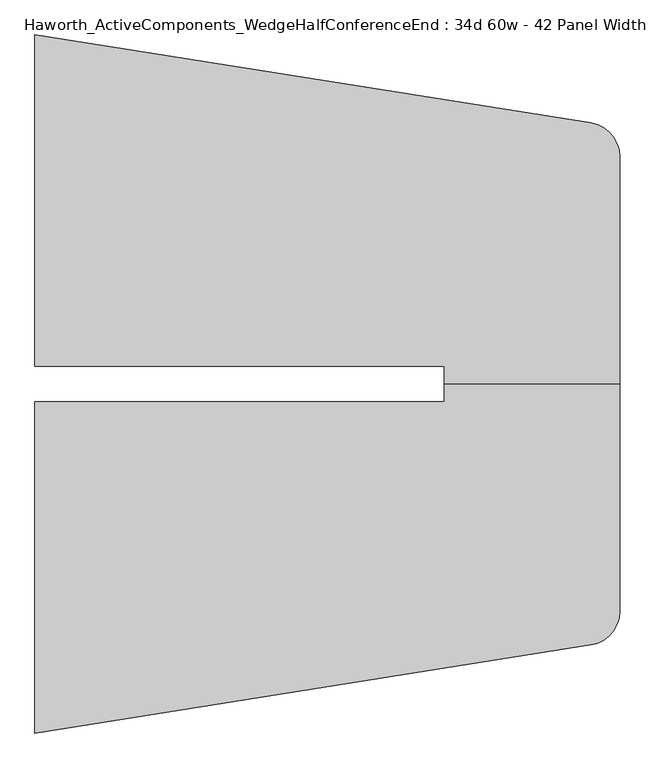
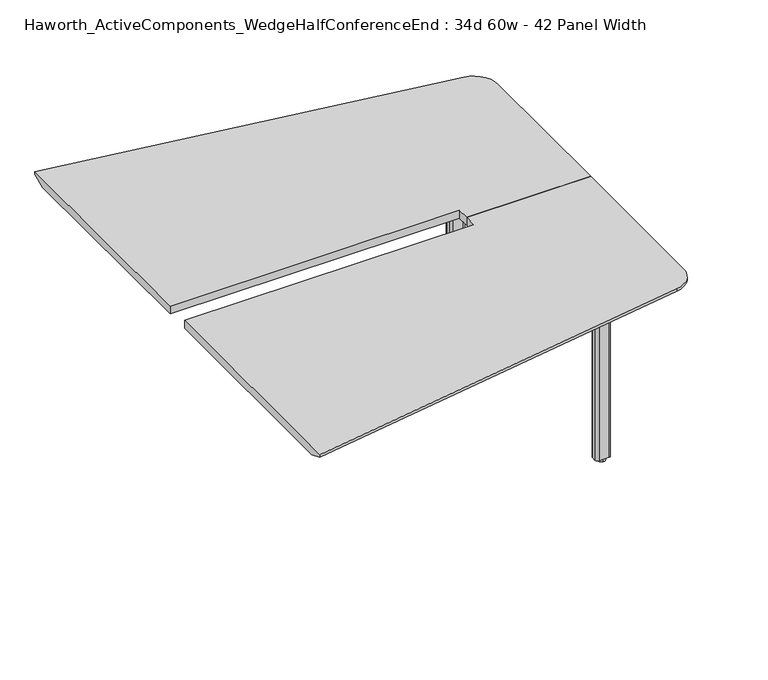
"""IFC4 building model written with IfcOpenShell, lengths in millimetres: furniture geometry, Haworth_ActiveComponents_WedgeHalfConferenceEnd : 34d 60w - 42 Panel Width."""

from ifc_helpers import new_model, si_unit, point, frame, frame_2d, origin, origin_with_axes, place, context, project, spatial, polyline, circle_curve, trimmed, segment, composite_curve, outline, extrude, source, transform, mapped, element, save
from ifc_brep_helpers import plane_surface, cylinder_surface, revolved_surface, advanced_brep


def haworth_activecomponents_wedgehalfconferenceend_34d_60w_42_ade9f4e1(model_context):
    return source(origin(), model_context, "Body", "SolidModel", [
        advanced_brep(
        [(749.3, 341.5840234, 741.3625), (749.3, 295.5465234, 741.3625), (1206.5, 295.5465234, 741.3625), (1206.5, 887.8783635, 741.3625), (1131.5070239, 975.6838569, 741.3625), (-317.5, 1205.1840234, 741.3625), (-317.5, 341.5840234, 741.3625), (749.3, 341.5840234, 711.2), (-317.5, 341.5840234, 711.2), (-317.5, 1153.7507951, 711.2), (1123.5601531, 925.5092892, 711.2), (1155.7, 887.8783635, 711.2), (1155.7, 295.5465234, 711.2), (749.3, 295.5465234, 711.2), (-317.5, 1205.1840234, 731.8375), (1206.5, 295.5465234, 731.8375), (1206.5, 887.8783635, 731.8375), (1131.5070239, 975.6838569, 731.8375)],
        [
            (0, 1),
            (1, 2),
            (2, 3),
            (3, 4, circle_curve(frame((1117.6, 887.8783635, 741.3625), z_axis=(0.0, 0.0, 1.0), x_axis=(1.0, 0.0, 0.0)), 88.9)),
            (4, 5),
            (5, 6),
            (6, 0),
            (7, 8),
            (8, 9),
            (9, 10),
            (10, 11, circle_curve(frame((1117.6, 887.8783635, 711.2), z_axis=(0.0, 0.0, -1.0), x_axis=(0.1564344650402309, 0.9876883405951378, 0.0)), 38.1)),
            (11, 12),
            (12, 13),
            (13, 7),
            (6, 8),
            (7, 0),
            (5, 14),
            (14, 9),
            (2, 15),
            (15, 16),
            (16, 3),
            (1, 13),
            (12, 15),
            (4, 17),
            (17, 14),
            (16, 17, circle_curve(frame((1117.6, 887.8783635, 731.8375), z_axis=(0.0, 0.0, 1.0), x_axis=(1.0, 0.0, 0.0)), 88.9)),
            (17, 10),
            (16, 11),
        ],
        [
            plane_surface(frame((-317.5, 341.5840234, 741.3625), z_axis=(0.0, 0.0, 1.0), x_axis=(-1.0, 0.0, 0.0))),
            plane_surface(frame((-317.5, 341.5840234, 711.2), z_axis=(0.0, 0.0, -1.0), x_axis=(1.0, 0.0, 0.0))),
            plane_surface(frame((749.3, 341.5840234, 741.3625), z_axis=(0.0, -1.0, 0.0), x_axis=(0.0, 0.0, -1.0))),
            plane_surface(frame((-317.5, 341.5840234, 741.3625), z_axis=(-1.0, 0.0, 0.0), x_axis=(0.0, 0.0, -1.0))),
            plane_surface(frame((1206.5, 887.8783635, 741.3625), z_axis=(1.0, 0.0, 0.0), x_axis=(0.0, 0.0, -1.0))),
            plane_surface(frame((1206.5, 295.5465234, 741.3625), z_axis=(0.0, -1.0, 0.0), x_axis=(0.0, 0.0, -1.0))),
            plane_surface(frame((749.3, 295.5465234, 741.3625), z_axis=(-1.0, 0.0, 0.0), x_axis=(0.0, 0.0, -1.0))),
            plane_surface(frame((-317.5, 1205.1840234, 741.3625), z_axis=(0.15643446504024028, 0.9876883405951362, 0.0), x_axis=(0.0, 0.0, -1.0))),
            cylinder_surface(frame((1117.6, 887.8783635, 711.2), z_axis=(0.0, 0.0, 1.0), x_axis=(1.0, 0.0, 0.0)), 88.9),
            plane_surface(frame((-317.5, 1205.1840234, 731.8375), z_axis=(0.058878341994063735, 0.3717432209465521, -0.9264665771220856), x_axis=(0.9876883405951363, -0.15643446504024033, 0.0))),
            revolved_surface(polyline([(1123.5601531, 925.5092892, 711.2), (1131.5070239, 975.6838569, 731.8375)]), (1117.6, 887.8783635, 741.3625), (0.0, 0.0, 1.0)),
            plane_surface(frame((1206.5, 887.8783635, 731.8375), z_axis=(0.37637704695648866, 0.0, -0.9264665771220855), x_axis=(0.0, -1.0, 0.0))),
        ],
        [
            (0, [[1, 2, 3, 4, 5, 6, 7]]),
            (1, [[8, 9, 10, 11, 12, 13, 14]]),
            (2, [[15, -8, 16, -7]]),
            (3, [[17, 18, -9, -15, -6]]),
            (4, [[19, 20, 21, -3]]),
            (5, [[22, -13, 23, -19, -2]]),
            (6, [[-16, -14, -22, -1]]),
            (7, [[24, 25, -17, -5]]),
            (8, [[-21, 26, -24, -4]]),
            (9, [[-10, -18, -25, 27]]),
            (10, [[-26, 28, -11, -27]]),
            (11, [[-20, -23, -12, -28]]),
        ],
    ),
        advanced_brep(
        [(749.3, 249.5090234, 741.3625), (-317.5, 249.5090234, 741.3625), (-317.5, -614.0909766, 741.3625), (1131.5070239, -384.59081, 741.3625), (1206.5, -296.7853166, 741.3625), (1206.5, 295.5465234, 741.3625), (749.3, 295.5465234, 741.3625), (749.3, 249.5090234, 711.2), (749.3, 295.5465234, 711.2), (1155.7, 295.5465234, 711.2), (1155.7, -296.7853166, 711.2), (1123.5601531, -334.4162423, 711.2), (-317.5, -562.6577482, 711.2), (-317.5, 249.5090234, 711.2), (-317.5, -614.0909766, 731.8375), (1206.5, -296.7853166, 731.8375), (1206.5, 295.5465234, 731.8375), (1131.5070239, -384.59081, 731.8375)],
        [
            (0, 1),
            (1, 2),
            (2, 3),
            (3, 4, circle_curve(frame((1117.6, -296.7853166, 741.3625), z_axis=(0.0, 0.0, 1.0), x_axis=(1.0, 0.0, 0.0)), 88.9)),
            (4, 5),
            (5, 6),
            (6, 0),
            (7, 8),
            (8, 9),
            (9, 10),
            (10, 11, circle_curve(frame((1117.6, -296.7853166, 711.2), z_axis=(0.0, 0.0, -1.0), x_axis=(0.15643446504022454, -0.9876883405951388, 0.0)), 38.1)),
            (11, 12),
            (12, 13),
            (13, 7),
            (0, 7),
            (13, 1),
            (12, 14),
            (14, 2),
            (4, 15),
            (15, 16),
            (16, 5),
            (16, 9),
            (8, 6),
            (14, 17),
            (17, 3),
            (17, 15, circle_curve(frame((1117.6, -296.7853166, 731.8375), z_axis=(0.0, 0.0, 1.0), x_axis=(1.0, 0.0, 0.0)), 88.9)),
            (11, 17),
            (10, 15),
        ],
        [
            plane_surface(frame((-317.5, 249.5090234, 741.3625), z_axis=(0.0, 0.0, 1.0), x_axis=(-1.0, 0.0, 0.0))),
            plane_surface(frame((-317.5, 249.5090234, 711.2), z_axis=(0.0, 0.0, -1.0), x_axis=(1.0, 0.0, 0.0))),
            plane_surface(frame((749.3, 249.5090234, 741.3625), z_axis=(0.0, 1.0, 0.0), x_axis=(0.0, 0.0, -1.0))),
            plane_surface(frame((-317.5, 249.5090234, 741.3625), z_axis=(-1.0, 0.0, 0.0), x_axis=(0.0, 0.0, -1.0))),
            plane_surface(frame((1206.5, -296.7853166, 741.3625), z_axis=(1.0, 0.0, 0.0), x_axis=(0.0, 0.0, -1.0))),
            plane_surface(frame((1206.5, 295.5465234, 741.3625), z_axis=(0.0, 1.0, 0.0), x_axis=(0.0, 0.0, -1.0))),
            plane_surface(frame((749.3, 295.5465234, 741.3625), z_axis=(-1.0, 0.0, 0.0), x_axis=(0.0, 0.0, -1.0))),
            plane_surface(frame((-317.5, -614.0909766, 741.3625), z_axis=(0.15643446504023392, -0.9876883405951372, 0.0), x_axis=(0.0, 0.0, -1.0))),
            cylinder_surface(frame((1117.6, -296.7853166, 711.2), z_axis=(0.0, 0.0, 1.0), x_axis=(1.0, 0.0, 0.0)), 88.9),
            plane_surface(frame((-317.5, -614.0909766, 731.8375), z_axis=(0.05887834199406135, -0.3717432209465525, -0.9264665771220856), x_axis=(0.9876883405951373, 0.15643446504023398, 0.0))),
            revolved_surface(polyline([(1123.5601531, -334.4162423, 711.2), (1131.5070239, -384.59081, 731.8375)]), (1117.6, -296.7853166, 741.3625), (0.0, 0.0, 1.0)),
            plane_surface(frame((1206.5, -296.7853166, 731.8375), z_axis=(0.37637704695648866, 0.0, -0.9264665771220855), x_axis=(0.0, 1.0, 0.0))),
        ],
        [
            (0, [[1, 2, 3, 4, 5, 6, 7]]),
            (1, [[8, 9, 10, 11, 12, 13, 14]]),
            (2, [[-1, 15, -14, 16]]),
            (3, [[-2, -16, -13, 17, 18]]),
            (4, [[-5, 19, 20, 21]]),
            (5, [[-6, -21, 22, -9, 23]]),
            (6, [[-7, -23, -8, -15]]),
            (7, [[-3, -18, 24, 25]]),
            (8, [[-4, -25, 26, -19]]),
            (9, [[27, -24, -17, -12]]),
            (10, [[-27, -11, 28, -26]]),
            (11, [[-28, -10, -22, -20]]),
        ],
    ),
        extrude(outline(composite_curve([segment(polyline([(900.90625, 694.0090234), (900.90625, 827.3590234)]), True, "CONTINUOUS"), segment(trimmed(circle_curve(frame_2d((910.43125, 827.3590234)), 9.525), [point((900.90625, 827.3590234))], [point((910.43125, 836.8840234))], False, "CARTESIAN"), True, "CONTINUOUS"), segment(polyline([(910.43125, 836.8840234), (1043.78125, 836.8840234)]), True, "CONTINUOUS"), segment(trimmed(circle_curve(frame_2d((1043.78125, 827.3590234)), 9.525), [point((1043.78125, 836.8840234))], [point((1053.30625, 827.3590234))], False, "CARTESIAN"), True, "CONTINUOUS"), segment(polyline([(1053.30625, 827.3590234), (1053.30625, 694.0090234)]), True, "CONTINUOUS"), segment(trimmed(circle_curve(frame_2d((1043.78125, 694.0090234)), 9.525), [point((1053.30625, 694.0090234))], [point((1043.78125, 684.4840234))], False, "CARTESIAN"), True, "CONTINUOUS"), segment(polyline([(1043.78125, 684.4840234), (910.43125, 684.4840234)]), True, "CONTINUOUS"), segment(trimmed(circle_curve(frame_2d((910.43125, 694.0090234)), 9.525), [point((910.43125, 684.4840234))], [point((900.90625, 694.0090234))], False, "CARTESIAN"), True, "CONTINUOUS")], self_intersect=False)), frame((0.0, 0.0, 706.4375), z_axis=(0.0, 0.0, 1.0), x_axis=(1.0, 0.0, 0.0)), (0.0, 0.0, 1.0), 4.7625),
        extrude(outline(composite_curve([segment(trimmed(circle_curve(frame_2d((977.10625, 760.6840234)), 13.6023831), [point((977.10625, 774.2864065))], [point((977.10625, 747.0816404))], False, "CARTESIAN"), True, "CONTINUOUS"), segment(trimmed(circle_curve(frame_2d((977.10625, 760.6840234)), 13.6023831), [point((977.10625, 747.0816404))], [point((977.10625, 774.2864065))], False, "CARTESIAN"), True, "CONTINUOUS")], self_intersect=False)), origin_with_axes(), (0.0, 0.0, 1.0), 12.7),
        extrude(outline(composite_curve([segment(polyline([(949.325, 752.7465234), (949.325, 768.6215234)]), True, "CONTINUOUS"), segment(trimmed(circle_curve(frame_2d((958.85, 768.6215234)), 9.525), [point((949.325, 768.6215234))], [point((958.85, 778.1465234))], False, "CARTESIAN"), True, "CONTINUOUS"), segment(polyline([(958.85, 778.1465234), (995.3625, 778.1465234)]), True, "CONTINUOUS"), segment(trimmed(circle_curve(frame_2d((995.3625, 768.6215234)), 9.525), [point((995.3625, 778.1465234))], [point((1004.8875, 768.6215234))], False, "CARTESIAN"), True, "CONTINUOUS"), segment(polyline([(1004.8875, 768.6215234), (1004.8875, 752.7465234)]), True, "CONTINUOUS"), segment(trimmed(circle_curve(frame_2d((995.3625, 752.7465234)), 9.525), [point((1004.8875, 752.7465234))], [point((995.3625, 743.2215234))], False, "CARTESIAN"), True, "CONTINUOUS"), segment(polyline([(995.3625, 743.2215234), (958.85, 743.2215234)]), True, "CONTINUOUS"), segment(trimmed(circle_curve(frame_2d((958.85, 752.7465234)), 9.525), [point((958.85, 743.2215234))], [point((949.325, 752.7465234))], False, "CARTESIAN"), True, "CONTINUOUS")], self_intersect=False)), frame((0.0, 0.0, 12.7), z_axis=(0.0, 0.0, 1.0), x_axis=(1.0, 0.0, 0.0)), (0.0, 0.0, 1.0), 693.7375),
        extrude(outline(composite_curve([segment(trimmed(circle_curve(frame_2d((910.43125, -102.9159766)), 9.525), [point((900.90625, -102.9159766))], [point((910.43125, -93.3909766))], False, "CARTESIAN"), True, "CONTINUOUS"), segment(polyline([(910.43125, -93.3909766), (1043.78125, -93.3909766)]), True, "CONTINUOUS"), segment(trimmed(circle_curve(frame_2d((1043.78125, -102.9159766)), 9.525), [point((1043.78125, -93.3909766))], [point((1053.30625, -102.9159766))], False, "CARTESIAN"), True, "CONTINUOUS"), segment(polyline([(1053.30625, -102.9159766), (1053.30625, -236.2659766)]), True, "CONTINUOUS"), segment(trimmed(circle_curve(frame_2d((1043.78125, -236.2659766)), 9.525), [point((1053.30625, -236.2659766))], [point((1043.78125, -245.7909766))], False, "CARTESIAN"), True, "CONTINUOUS"), segment(polyline([(1043.78125, -245.7909766), (910.43125, -245.7909766)]), True, "CONTINUOUS"), segment(trimmed(circle_curve(frame_2d((910.43125, -236.2659766)), 9.525), [point((910.43125, -245.7909766))], [point((900.90625, -236.2659766))], False, "CARTESIAN"), True, "CONTINUOUS"), segment(polyline([(900.90625, -236.2659766), (900.90625, -102.9159766)]), True, "CONTINUOUS")], self_intersect=False)), frame((0.0, 0.0, 706.4375), z_axis=(0.0, 0.0, 1.0), x_axis=(1.0, 0.0, 0.0)), (0.0, 0.0, 1.0), 4.7625),
        extrude(outline(composite_curve([segment(trimmed(circle_curve(frame_2d((977.10625, -169.5909766)), 13.6023831), [point((977.10625, -183.1933596))], [point((977.10625, -155.9885935))], False, "CARTESIAN"), True, "CONTINUOUS"), segment(trimmed(circle_curve(frame_2d((977.10625, -169.5909766)), 13.6023831), [point((977.10625, -155.9885935))], [point((977.10625, -183.1933596))], False, "CARTESIAN"), True, "CONTINUOUS")], self_intersect=False)), origin_with_axes(), (0.0, 0.0, 1.0), 12.7),
        extrude(outline(composite_curve([segment(trimmed(circle_curve(frame_2d((958.85, -161.6534766)), 9.525), [point((949.325, -161.6534766))], [point((958.85, -152.1284766))], False, "CARTESIAN"), True, "CONTINUOUS"), segment(polyline([(958.85, -152.1284766), (995.3625, -152.1284766)]), True, "CONTINUOUS"), segment(trimmed(circle_curve(frame_2d((995.3625, -161.6534766)), 9.525), [point((995.3625, -152.1284766))], [point((1004.8875, -161.6534766))], False, "CARTESIAN"), True, "CONTINUOUS"), segment(polyline([(1004.8875, -161.6534766), (1004.8875, -177.5284766)]), True, "CONTINUOUS"), segment(trimmed(circle_curve(frame_2d((995.3625, -177.5284766)), 9.525), [point((1004.8875, -177.5284766))], [point((995.3625, -187.0534766))], False, "CARTESIAN"), True, "CONTINUOUS"), segment(polyline([(995.3625, -187.0534766), (958.85, -187.0534766)]), True, "CONTINUOUS"), segment(trimmed(circle_curve(frame_2d((958.85, -177.5284766)), 9.525), [point((958.85, -187.0534766))], [point((949.325, -177.5284766))], False, "CARTESIAN"), True, "CONTINUOUS"), segment(polyline([(949.325, -177.5284766), (949.325, -161.6534766)]), True, "CONTINUOUS")], self_intersect=False)), frame((0.0, 0.0, 12.7), z_axis=(0.0, 0.0, 1.0), x_axis=(1.0, 0.0, 0.0)), (0.0, 0.0, 1.0), 693.7375),
    ])


if __name__ == "__main__":
    model = new_model("IFC4")
    model_context = context("Model", 3, world=origin())
    ifc_project = project(units=[si_unit("LENGTHUNIT", "METRE", prefix="MILLI")], contexts=[model_context])
    site = spatial("IfcSite", under=ifc_project)
    building = spatial("IfcBuilding", under=site)
    placement = place(None, origin())
    haworth_activecomponents_wedgehalfconferenceend_34d_60w_42_shape = haworth_activecomponents_wedgehalfconferenceend_34d_60w_42_ade9f4e1(model_context)
    element("IfcFurniture", 1, ObjectType="Haworth_ActiveComponents_WedgeHalfConferenceEnd : 34d 60w - 42 Panel Width", at=placement, inside=building, context=model_context, shape_type="MappedRepresentation", body=[
        mapped(haworth_activecomponents_wedgehalfconferenceend_34d_60w_42_shape, transform((0.0, 0.0, 0.0), x_axis=(1.0, 0.0, 0.0), y_axis=(0.0, 1.0, 0.0), z_axis=(0.0, 0.0, 1.0))),
    ])
    save(model, "model.ifc")
